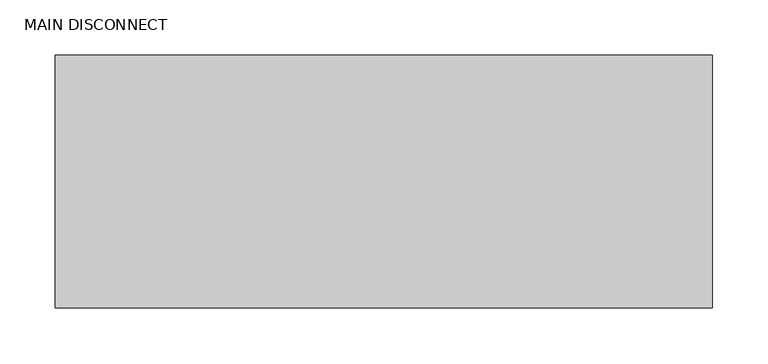
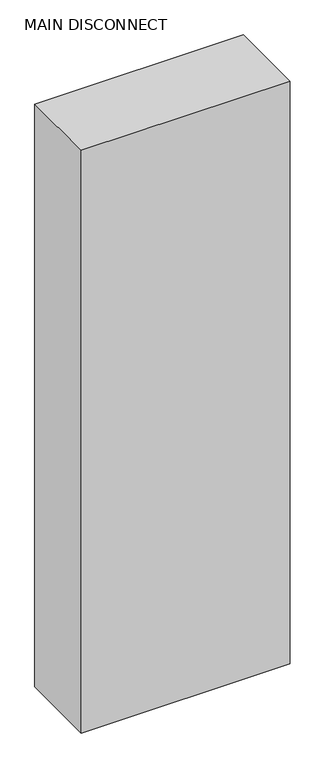
"""IFC4 building model written with IfcOpenShell, lengths in millimetres: proxy geometry, MAIN DISCONNECT."""

from ifc_helpers import new_model, si_unit, frame, origin, place, context, project, spatial, polyline, outline, extrude, source, transform, mapped, element, save


def main_disconnect_036b9c83(model_context):
    return source(origin(), model_context, "Body", "SweptSolid", [
        extrude(outline(polyline([(-74.5036378, -626.0249791), (519.2213622, -626.0249791), (519.2213622, -854.6249791), (-74.5036378, -854.6249791), (-74.5036378, -626.0249791)])), frame((0.0, 0.0, 520.7), z_axis=(0.0, 0.0, 1.0), x_axis=(1.0, 0.0, 0.0)), (0.0, 0.0, 1.0), 1752.6),
    ])


if __name__ == "__main__":
    model = new_model("IFC4")
    model_context = context("Model", 3, world=origin())
    ifc_project = project(units=[si_unit("LENGTHUNIT", "METRE", prefix="MILLI")], contexts=[model_context])
    site = spatial("IfcSite", under=ifc_project)
    building = spatial("IfcBuilding", under=site)
    placement = place(None, origin())
    main_disconnect_shape = main_disconnect_036b9c83(model_context)
    element("IfcBuildingElementProxy", 1, Name="MAIN DISCONNECT", ObjectType="MAIN DISCONNECT", at=placement, inside=building, context=model_context, shape_type="MappedRepresentation", body=[
        mapped(main_disconnect_shape, transform((0.0, 0.0, 0.0), x_axis=(1.0, 0.0, 0.0), y_axis=(0.0, 1.0, 0.0), z_axis=(0.0, 0.0, 1.0))),
    ])
    save(model, "model.ifc")
